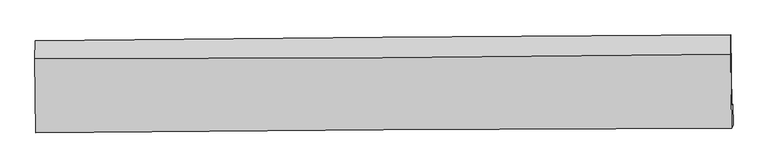
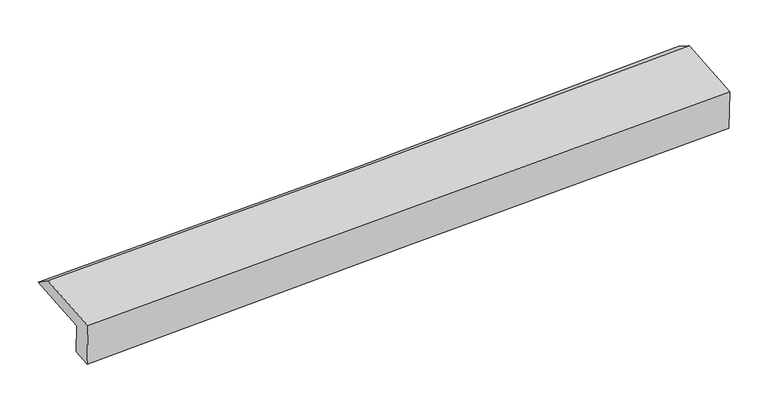
"""IFC4 building model written with IfcOpenShell, lengths in millimetres: proxy geometry."""

from ifc_helpers import new_model, si_unit, frame, origin, place, context, project, spatial, source, transform, mapped, element, save
from ifc_brep_helpers import plane_surface, spline_curve, spline_surface, advanced_brep


def generic_models_46398760(model_context):
    return source(origin(), model_context, "Body", "AdvancedBrep", [
        advanced_brep(
        [(-3013.7425101, -1793.2140877, 1906.756476), (-3020.8853767, -1186.3596532, 1968.0878798), (2992.6305147, -1136.0743588, 2164.1995424), (3000.0402605, -1758.1021554, 2101.3374547), (-3004.9214155, -1769.6094263, 1630.1626934), (3008.6924201, -1734.9495524, 1830.0407855), (-3002.9351727, -1946.2306097, 1615.1530921), (3010.7036941, -1911.5705219, 1815.0320007), (-3015.7431094, -1980.5037953, 2016.7580918), (2998.3028948, -1944.7542348, 2203.87082), (-3023.2503632, -1342.6912023, 2081.2182645), (2990.6458632, -1301.9674706, 2268.8308076)],
        [
            (0, 1),
            (1, 2, spline_curve(3, [(-3020.8853767, -1186.3596532, 1968.0878798), (-2018.521764849, -1174.41856525, 1982.772020396), (-1016.565915681, -1164.259273917, 2006.438907056), (987.940530784, -1147.492487795, 2071.784146645), (1990.489978485, -1140.890014449, 2113.487813988), (2992.6305147, -1136.0743588, 2164.1995424)], [4, 2, 4], [0.0, 9.863552538182208, 19.740993870254798])),
            (2, 3),
            (3, 0, spline_curve(3, [(3000.0402605, -1758.1021554, 2101.3374547), (1997.107247289, -1770.007628377, 2066.041962602), (994.139568688, -1778.886289851, 2032.168726829), (-1010.454785738, -1790.581761389, 1967.3123973), (-2012.081363692, -1793.407077311, 1936.325306888), (-3013.7425101, -1793.2140877, 1906.756476)], [4, 2, 4], [0.0, 9.87744133207259, 19.740993870254798])),
            (4, 0),
            (3, 5),
            (5, 4, spline_curve(3, [(3008.6924201, -1734.9495524, 1830.0407855), (2005.630993463, -1747.198651057, 1798.77181695), (1002.613251212, -1756.211280096, 1766.468378696), (-1001.924571434, -1767.755475974, 1699.839440953), (-2003.444774005, -1770.296138443, 1665.516848282), (-3004.9214155, -1769.6094263, 1630.1626934)], [4, 2, 4], [0.0, 9.877461801163305, 19.741034779654385])),
            (6, 4),
            (5, 7),
            (7, 6, spline_curve(3, [(3010.7036941, -1911.5705219, 1815.0320007), (2007.439005159, -1913.849891427, 1784.607371573), (1004.31761403, -1917.881180496, 1752.725738304), (-1000.228271979, -1929.439466262, 1686.095340772), (-2001.653169884, -1936.961539864, 1651.350671351), (-3002.9351727, -1946.2306097, 1615.1530921)], [4, 2, 4], [0.0, 9.877440477680116, 19.740992162671223])),
            (8, 6),
            (7, 9),
            (9, 8, spline_curve(3, [(2998.3028948, -1944.7542348, 2203.87082), (1995.150413995, -1946.733342454, 2169.927796866), (992.05111181, -1950.70552375, 2137.35355007), (-1012.630740301, -1962.627644831, 2074.986487333), (-2014.213439275, -1970.571984094, 2045.189824874), (-3015.7431094, -1980.5037953, 2016.7580918)], [4, 2, 4], [0.0, 9.877462512162728, 19.741036200653486])),
            (10, 8),
            (9, 11),
            (11, 10, spline_curve(3, [(2990.6458632, -1301.9674706, 2268.8308076), (1987.988789203, -1316.388693455, 2233.64141208), (985.149514858, -1326.99265306, 2200.402707803), (-1019.483072609, -1340.556503081, 2137.870675264), (-2021.275874034, -1343.527120478, 2108.57186549), (-3023.2503632, -1342.6912023, 2081.2182645)], [4, 2, 4], [0.0, 9.877389111356115, 19.740889502250052])),
            (1, 10),
            (11, 2),
        ],
        [
            spline_surface(3, 3, [[(-3013.7425101, -1793.2140877, 1906.756476), (-2012.081363828, -1793.407077216, 1936.325307011), (-1010.45478566, -1790.581761304, 1967.312397388), (994.13956861, -1778.886289937, 2032.16872674), (1997.10724734, -1770.007628465, 2066.041962573), (3000.0402605, -1758.1021554, 2101.3374547)], [(-3016.123465642, -1590.929276177, 1927.200277261), (-2014.228164224, -1587.077573256, 1951.807544821), (-1012.491828995, -1581.807598882, 1980.354567308), (992.073222608, -1568.421689238, 2045.373866657), (1994.901491036, -1560.301757113, 2081.857246373), (2997.570345233, -1550.759556536, 2122.291483942)], [(-3018.504421158, -1388.644464723, 1947.644078539), (-2016.374964592, -1380.748069363, 1967.28978265), (-1014.528872248, -1373.033436378, 1993.39673726), (990.006876688, -1357.957088455, 2058.579006605), (1992.695734731, -1350.595885753, 2097.672530149), (2995.100429967, -1343.416957664, 2143.245513158)], [(-3020.8853767, -1186.3596532, 1968.0878798), (-2018.521764988, -1174.418565403, 1982.77202046), (-1016.565915584, -1164.259273957, 2006.43890718), (987.940530686, -1147.492487756, 2071.784146522), (1990.489978427, -1140.890014401, 2113.48781395), (2992.6305147, -1136.0743588, 2164.1995424)]], [4, 4], [4, 2, 4], [0.0, 2.0673327712582457], [0.0, 9.863552538182208, 19.740993870254798]),
            spline_surface(3, 3, [[(-3004.9214155, -1769.6094263, 1630.1626934), (-2003.444774056, -1770.296138454, 1665.516848308), (-1001.924571342, -1767.755476041, 1699.839440919), (1002.61325112, -1756.211280029, 1766.46837873), (2005.630993556, -1747.198651131, 1798.771816827), (3008.6924201, -1734.9495524, 1830.0407855)], [(-3007.86178034, -1777.477646774, 1722.360620934), (-2006.323637286, -1777.999784715, 1755.786334544), (-1004.767976098, -1775.364237787, 1788.997093059), (999.7886903, -1763.769616656, 1855.035161384), (2002.789744804, -1754.801643554, 1887.861865426), (3005.808366887, -1742.667086711, 1920.473008583)], [(-3010.80214526, -1785.345867226, 1814.558548466), (-2009.202500597, -1785.703430954, 1846.055820775), (-1007.611380904, -1782.972999559, 1878.154745247), (996.96412943, -1771.32795331, 1943.601944086), (1999.948496091, -1762.404636042, 1976.951913974), (3002.924313713, -1750.384621089, 2010.905231617)], [(-3013.7425101, -1793.2140877, 1906.756476), (-2012.081363828, -1793.407077216, 1936.325307011), (-1010.45478566, -1790.581761304, 1967.312397388), (994.13956861, -1778.886289937, 2032.16872674), (1997.10724734, -1770.007628465, 2066.041962573), (3000.0402605, -1758.1021554, 2101.3374547)]], [4, 4], [4, 2, 4], [0.0, 0.8782462765852328], [0.0, 9.86357297849108, 19.741034779654385]),
            spline_surface(3, 3, [[(-3002.9351727, -1946.2306097, 1615.1530921), (-2001.653170012, -1936.961539819, 1651.35067138), (-1000.228272078, -1929.439466337, 1686.095340828), (1004.317614129, -1917.881180421, 1752.725738248), (2007.439005175, -1913.849891278, 1784.607371647), (3010.7036941, -1911.5705219, 1815.0320007)], [(-3003.597253662, -1887.356881913, 1620.156292531), (-2002.250371389, -1881.406406043, 1656.072730354), (-1000.793705169, -1875.5448029, 1690.676707525), (1003.749493123, -1863.991213618, 1757.306618409), (2006.836334654, -1858.299477901, 1789.328853358), (3010.033269452, -1852.696865406, 1820.034928951)], [(-3004.259334538, -1828.483154087, 1625.159492969), (-2002.847572679, -1825.851272229, 1660.794789335), (-1001.359138251, -1821.650139479, 1695.258074222), (1003.181372126, -1810.101246832, 1761.887498569), (2006.233664077, -1802.749064508, 1794.050335116), (3009.362844748, -1793.823208894, 1825.037857249)], [(-3004.9214155, -1769.6094263, 1630.1626934), (-2003.444774056, -1770.296138454, 1665.516848308), (-1001.924571342, -1767.755476041, 1699.839440919), (1002.61325112, -1756.211280029, 1766.46837873), (2005.630993556, -1747.198651131, 1798.771816827), (3008.6924201, -1734.9495524, 1830.0407855)]], [4, 4], [4, 2, 4], [0.0, 0.532378374876067], [0.0, 9.863551684991107, 19.740992162671223]),
            spline_surface(3, 3, [[(-3015.7431094, -1980.5037953, 2016.7580918), (-2014.213439307, -1970.571983938, 2045.189824754), (-1012.630740218, -1962.627644877, 2074.986487299), (992.051111727, -1950.705523704, 2137.353550104), (1995.150414059, -1946.733342552, 2169.927796947), (2998.3028948, -1944.7542348, 2203.87082)], [(-3011.473797164, -1969.079400104, 1882.889758566), (-2010.026682872, -1959.368502569, 1913.910106962), (-1008.496584191, -1951.564918696, 1945.356105156), (996.139945842, -1939.764075941, 2009.1442795), (1999.246611088, -1935.77219212, 2041.487655184), (3002.436494557, -1933.69299716, 2074.257880236)], [(-3007.204484936, -1957.655004896, 1749.021425334), (-2005.839926447, -1948.165021188, 1782.630389172), (-1004.362428106, -1940.502192519, 1815.725722971), (1000.228780014, -1928.822628183, 1880.935008852), (2003.342808146, -1924.811041709, 1913.047513411), (3006.570094343, -1922.63175954, 1944.644940464)], [(-3002.9351727, -1946.2306097, 1615.1530921), (-2001.653170012, -1936.961539819, 1651.35067138), (-1000.228272078, -1929.439466337, 1686.095340828), (1004.317614129, -1917.881180421, 1752.725738248), (2007.439005175, -1913.849891278, 1784.607371647), (3010.7036941, -1911.5705219, 1815.0320007)]], [4, 4], [4, 2, 4], [0.0, 1.274141159910867], [0.0, 9.863573688490758, 19.741036200653486]),
            spline_surface(3, 3, [[(-3023.2503632, -1342.6912023, 2081.2182645), (-2021.275873879, -1343.527120563, 2108.571865402), (-1019.483072615, -1340.556502964, 2137.870675313), (985.149514865, -1326.992653178, 2200.402707755), (1987.988789095, -1316.388693561, 2233.64141221), (2990.6458632, -1301.9674706, 2268.8308076)], [(-3020.747945254, -1555.295399949, 2059.731540256), (-2018.921729009, -1552.542075004, 2087.444518509), (-1017.198961799, -1547.913550265, 2116.909279297), (987.450047169, -1534.89694335, 2179.38632186), (1990.375997433, -1526.503576572, 2212.403540451), (2993.198207083, -1516.229725348, 2247.177478395)], [(-3018.245527346, -1767.899597651, 2038.244816044), (-2016.567584177, -1761.557029497, 2066.317171647), (-1014.914851034, -1755.270597576, 2095.947883314), (989.750579423, -1742.801233532, 2158.369935999), (1992.763205721, -1736.61845954, 2191.165668706), (2995.750550917, -1730.491980052, 2225.524149205)], [(-3015.7431094, -1980.5037953, 2016.7580918), (-2014.213439307, -1970.571983938, 2045.189824754), (-1012.630740218, -1962.627644877, 2074.986487299), (992.051111727, -1950.705523704, 2137.353550104), (1995.150414059, -1946.733342552, 2169.927796947), (2998.3028948, -1944.7542348, 2203.87082)]], [4, 4], [4, 2, 4], [0.0, 2.0541516767149344], [0.0, 9.863500390893938, 19.740889502250052]),
            spline_surface(3, 3, [[(-3020.8853767, -1186.3596532, 1968.0878798), (-2018.521764988, -1174.418565403, 1982.77202046), (-1016.565915584, -1164.259273957, 2006.43890718), (987.940530686, -1147.492487756, 2071.784146522), (1990.489978427, -1140.890014401, 2113.48781395), (2992.6305147, -1136.0743588, 2164.1995424)], [(-3021.673705538, -1238.470169582, 2005.798008052), (-2019.43980129, -1230.788083805, 2024.705302126), (-1017.538301245, -1223.025016951, 2050.24949658), (987.010192095, -1207.325876222, 2114.657000289), (1989.656248637, -1199.389574128, 2153.539013362), (2991.968964187, -1191.37206274, 2199.076630792)], [(-3022.462034362, -1290.580685918, 2043.508136248), (-2020.357837577, -1287.157602161, 2066.638583736), (-1018.510686954, -1281.790759969, 2094.060085912), (986.079853457, -1267.159264712, 2157.529853988), (1988.822518885, -1257.889133835, 2193.590212798), (2991.307413713, -1246.66976666, 2233.953719208)], [(-3023.2503632, -1342.6912023, 2081.2182645), (-2021.275873879, -1343.527120563, 2108.571865402), (-1019.483072615, -1340.556502964, 2137.870675313), (985.149514865, -1326.992653178, 2200.402707755), (1987.988789095, -1316.388693561, 2233.64141221), (2990.6458632, -1301.9674706, 2268.8308076)]], [4, 4], [4, 2, 4], [0.0, 0.7229985367433218], [0.0, 9.863512469089851, 19.740913675649097]),
            plane_surface(frame((3000.1692746, -1631.2363823, 2063.8852351), z_axis=(0.9994311139368909, 0.008610050768000378, 0.032608519142059804), x_axis=(0.03176034103690354, 0.08498855728387335, -0.9958756076277927))),
            plane_surface(frame((-3013.5796579, -1669.7681291, 1869.6894162), z_axis=(-0.9994327069560935, -0.0084692829974839, -0.032596556749510716), x_axis=(0.011709855548589176, -0.9948635665209493, -0.10054532953970476))),
        ],
        [
            (0, [[1, 2, 3, 4]]),
            (1, [[5, -4, 6, 7]]),
            (2, [[8, -7, 9, 10]]),
            (3, [[11, -10, 12, 13]]),
            (4, [[14, -13, 15, 16]]),
            (5, [[17, -16, 18, -2]]),
            (6, [[-12, -9, -6, -3, -18, -15]]),
            (7, [[-1, -5, -8, -11, -14, -17]]),
        ],
    ),
    ])


if __name__ == "__main__":
    model = new_model("IFC4")
    model_context = context("Model", 3, world=origin())
    ifc_project = project(units=[si_unit("LENGTHUNIT", "METRE", prefix="MILLI")], contexts=[model_context])
    site = spatial("IfcSite", under=ifc_project)
    building = spatial("IfcBuilding", under=site)
    placement = place(None, origin())
    generic_models_shape = generic_models_46398760(model_context)
    element("IfcBuildingElementProxy", 1, Name="Generic Models", at=placement, inside=building, context=model_context, shape_type="MappedRepresentation", body=[
        mapped(generic_models_shape, transform((0.0, 0.0, 0.0), x_axis=(1.0, 0.0, 0.0), y_axis=(0.0, 1.0, 0.0), z_axis=(0.0, 0.0, 1.0))),
    ])
    save(model, "model.ifc")
